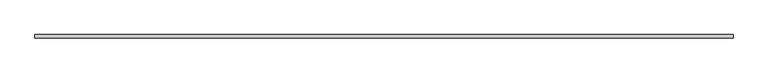
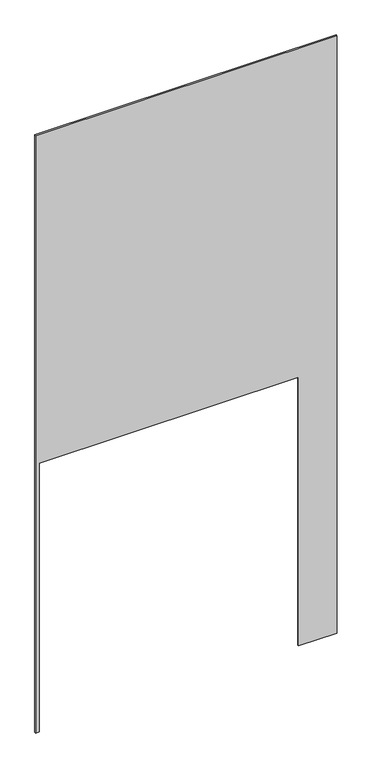
"""IFC4 building model written with IfcOpenShell, lengths in millimetres: plate geometry."""

from ifc_helpers import new_model, si_unit, frame, origin, place, context, project, spatial, polyline, outline, extrude, source, transform, mapped, element, save


def plate_5bdd5470(model_context):
    return source(origin(), model_context, "Body", "SweptSolid", [
        extrude(outline(polyline([(0.0, -1075.0), (0.0, -1050.0), (2025.0, -1050.0), (2025.0, 800.0), (0.0, 800.0), (0.0, 1075.0), (4500.0, 1075.0), (4500.0, -1075.0), (0.0, -1075.0)])), frame((0.0, -5.0, 0.0), z_axis=(0.0, 1.0, 0.0), x_axis=(0.0, 0.0, 1.0)), (0.0, 0.0, 1.0), 10.0),
    ])


if __name__ == "__main__":
    model = new_model("IFC4")
    model_context = context("Model", 3, world=origin())
    ifc_project = project(units=[si_unit("LENGTHUNIT", "METRE", prefix="MILLI")], contexts=[model_context])
    site = spatial("IfcSite", under=ifc_project)
    building = spatial("IfcBuilding", under=site)
    placement = place(None, origin())
    plate_shape = plate_5bdd5470(model_context)
    element("IfcPlate", 1, at=placement, inside=building, context=model_context, shape_type="MappedRepresentation", body=[
        mapped(plate_shape, transform((0.0, 0.0, 0.0), x_axis=(1.0, 0.0, 0.0), y_axis=(0.0, 1.0, 0.0), z_axis=(0.0, 0.0, 1.0))),
    ])
    save(model, "model.ifc")
